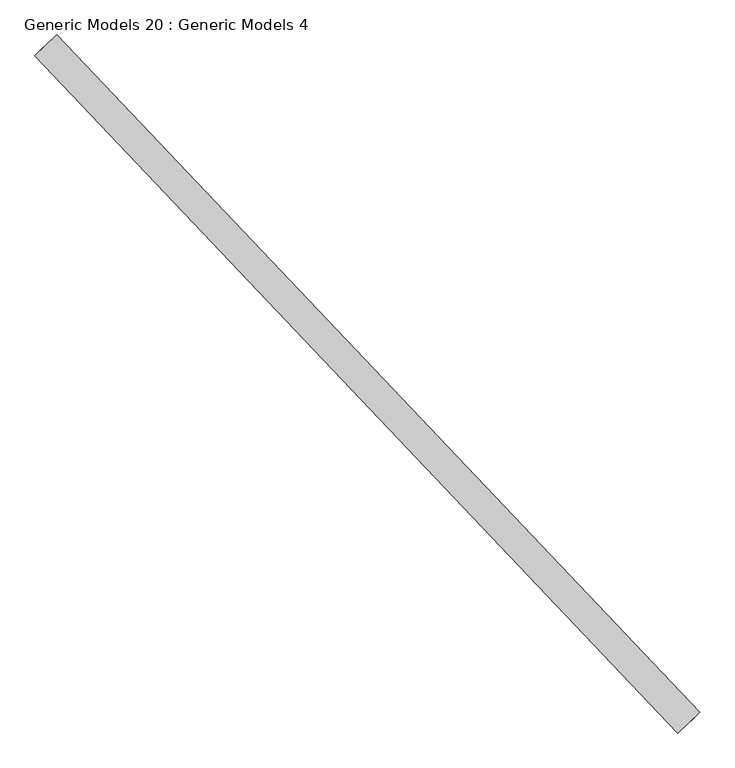
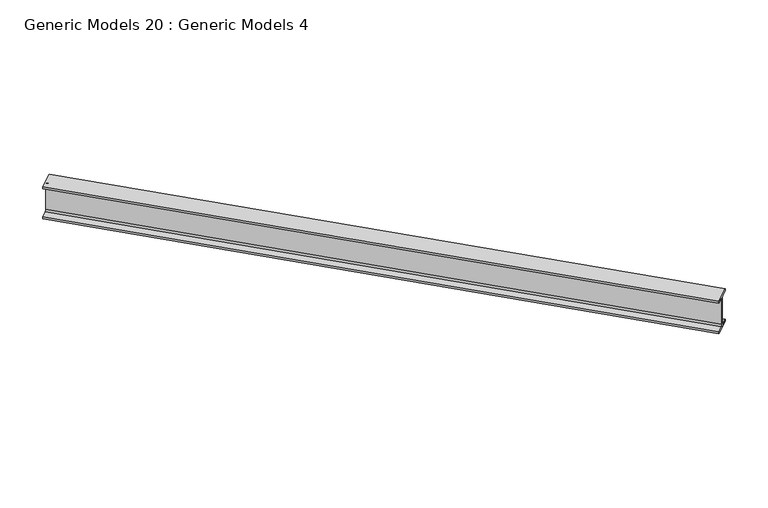
"""IFC4 building model written with IfcOpenShell, lengths in millimetres: proxy geometry, Generic Models 20 : Generic Models 4."""

from ifc_helpers import new_model, si_unit, frame, origin, place, context, project, spatial, polyline, circle_curve, source, transform, mapped, element, save
from ifc_brep_helpers import plane_surface, revolved_surface, advanced_brep


def generic_models_20_generic_models_4_68548fa3(model_context):
    return source(origin(), model_context, "Body", "AdvancedBrep", [
        advanced_brep(
        [(113624.5932426, 53881.0561758, 16634.46), (113543.4793416, 53804.0819579, 16634.46), (113527.5882026, 53789.0018301, 16656.3675), (113527.5882026, 53789.0018301, 16787.5924237), (113527.5882026, 53789.0018301, 17041.8125), (113543.4793416, 53804.0819579, 17063.72), (113624.5932426, 53881.0561758, 17063.72), (113624.5932426, 53881.0561758, 17094.2), (113418.2387415, 53685.2330661, 17094.2), (113418.2387415, 53685.2330661, 17063.72), (113499.3526425, 53762.207284, 17063.72), (113515.2437815, 53777.2874119, 17041.8125), (113515.2437815, 53777.2874119, 16656.3675), (113499.3526425, 53762.207284, 16634.46), (113418.2387415, 53685.2330661, 16634.46), (113418.2387415, 53685.2330661, 16603.98), (113624.5932426, 53881.0561758, 16603.98), (107544.4605287, 60288.1791888, 16634.46), (107544.4605287, 60288.1791888, 16603.98), (107338.1060276, 60092.3560791, 16603.98), (107338.1060276, 60092.3560791, 16634.46), (107419.2199286, 60169.330297, 16634.46), (107435.1110676, 60184.4104249, 16656.3675), (107435.1110676, 60184.4104249, 17041.8125), (107419.2199286, 60169.330297, 17063.72), (107338.1060276, 60092.3560791, 17063.72), (107338.1060276, 60092.3560791, 17094.2), (107544.4605287, 60288.1791888, 17094.2), (107544.4605287, 60288.1791888, 17063.72), (107463.3466277, 60211.2049709, 17063.72), (107447.4554887, 60196.124843, 17041.8125), (107447.4554887, 60196.124843, 16787.5924237), (107447.4554887, 60196.124843, 16656.3675), (107463.3466277, 60211.2049709, 16634.46)],
        [
            (0, 1),
            (1, 2, circle_curve(frame((113543.4793416, 53804.0819579, 16656.3675), z_axis=(-0.6883545756936593, 0.7253743710123776, 0.0), x_axis=(-0.7253743710123776, -0.6883545756936593, 0.0)), 21.9075)),
            (2, 3),
            (3, 4),
            (4, 5, circle_curve(frame((113543.4793416, 53804.0819579, 17041.8125), z_axis=(-0.6883545756936593, 0.7253743710123776, 0.0), x_axis=(-0.7253743710123776, -0.6883545756936593, 0.0)), 21.9075)),
            (5, 6),
            (6, 7),
            (7, 8),
            (8, 9),
            (9, 10),
            (10, 11, circle_curve(frame((113499.3526425, 53762.207284, 17041.8125), z_axis=(-0.6883545756936593, 0.7253743710123776, 0.0), x_axis=(-0.7253743710123776, -0.6883545756936593, 0.0)), 21.9075)),
            (11, 12),
            (12, 13, circle_curve(frame((113499.3526425, 53762.207284, 16656.3675), z_axis=(-0.6883545756936593, 0.7253743710123776, 0.0), x_axis=(-0.7253743710123776, -0.6883545756936593, 0.0)), 21.9075)),
            (13, 14),
            (14, 15),
            (15, 16),
            (16, 0),
            (17, 18),
            (18, 19),
            (19, 20),
            (20, 21),
            (21, 22, circle_curve(frame((107419.2199286, 60169.330297, 16656.3675), z_axis=(0.6883545756936593, -0.7253743710123776, 0.0), x_axis=(-0.7253743710123776, -0.6883545756936593, 0.0)), 21.9075)),
            (22, 23),
            (23, 24, circle_curve(frame((107419.2199286, 60169.330297, 17041.8125), z_axis=(0.6883545756936593, -0.7253743710123776, 0.0), x_axis=(-0.7253743710123776, -0.6883545756936593, 0.0)), 21.9075)),
            (24, 25),
            (25, 26),
            (26, 27),
            (27, 28),
            (28, 29),
            (29, 30, circle_curve(frame((107463.3466277, 60211.2049709, 17041.8125), z_axis=(0.6883545756936593, -0.7253743710123776, 0.0), x_axis=(-0.7253743710123776, -0.6883545756936593, 0.0)), 21.9075)),
            (30, 31),
            (31, 32),
            (32, 33, circle_curve(frame((107463.3466277, 60211.2049709, 16656.3675), z_axis=(0.6883545756936593, -0.7253743710123776, 0.0), x_axis=(-0.7253743710123776, -0.6883545756936593, 0.0)), 21.9075)),
            (33, 17),
            (11, 23),
            (22, 12),
            (15, 19),
            (18, 16),
            (7, 27),
            (26, 8),
            (0, 17),
            (33, 1),
            (32, 2),
            (30, 4),
            (29, 5),
            (28, 6),
            (25, 9),
            (24, 10),
            (21, 13),
            (20, 14),
        ],
        [
            plane_surface(frame((113521.415992, 53783.144621, 17094.2), z_axis=(0.6883545756936593, -0.7253743710123776, 0.0), x_axis=(0.0, 0.0, 1.0))),
            plane_surface(frame((107441.2832781, 60190.267634, 17094.2), z_axis=(-0.6883545756936593, 0.7253743710123776, 0.0), x_axis=(0.0, 0.0, 1.0))),
            plane_surface(frame((113515.2437815, 53777.2874119, 17041.8125), z_axis=(-0.7253743710123779, -0.688354575693659, 0.0), x_axis=(-0.688354575693659, 0.7253743710123779, 0.0))),
            plane_surface(frame((113418.2387415, 53685.2330661, 16603.98), z_axis=(0.0, 0.0, -1.0000000000000002), x_axis=(-0.688354575693659, 0.7253743710123779, 0.0))),
            plane_surface(frame((113624.5932426, 53881.0561758, 17094.2), z_axis=(0.0, 0.0, 1.0000000000000002), x_axis=(-0.688354575693659, 0.7253743710123779, 0.0))),
            plane_surface(frame((113624.5932426, 53881.0561758, 16634.46), z_axis=(0.0, 0.0, 1.0000000000000002), x_axis=(-0.688354575693659, 0.7253743710123779, 0.0))),
            revolved_surface(polyline([(107447.4554886571, 60196.12484302356, 16656.3675), (113527.58820256704, 53789.00183003299, 16656.3675)]), (113543.4793416, 53804.0819579, 16656.3675), (-0.6883545756936593, 0.7253743710123776, 0.0)),
            plane_surface(frame((113527.5882026, 53789.0018301, 16656.3675), z_axis=(0.7253743710123779, 0.688354575693659, 0.0), x_axis=(-0.688354575693659, 0.7253743710123779, 0.0))),
            revolved_surface(polyline([(107447.4554886571, 60196.12484302356, 17041.8125), (113527.58820256704, 53789.00183003299, 17041.8125)]), (113543.4793416, 53804.0819579, 17041.8125), (-0.6883545756936593, 0.7253743710123776, 0.0)),
            plane_surface(frame((113543.4793416, 53804.0819579, 17063.72), z_axis=(0.0, 0.0, -1.0000000000000002), x_axis=(-0.688354575693659, 0.7253743710123779, 0.0))),
            plane_surface(frame((113624.5932426, 53881.0561758, 17063.72), z_axis=(0.7253743710123779, 0.688354575693659, 0.0), x_axis=(-0.688354575693659, 0.7253743710123779, 0.0))),
            plane_surface(frame((113418.2387415, 53685.2330661, 17094.2), z_axis=(-0.7253743710123779, -0.688354575693659, 0.0), x_axis=(-0.688354575693659, 0.7253743710123779, 0.0))),
            plane_surface(frame((113418.2387415, 53685.2330661, 17063.72), z_axis=(0.0, 0.0, -1.0000000000000002), x_axis=(-0.688354575693659, 0.7253743710123779, 0.0))),
            revolved_surface(polyline([(107403.32878952501, 60154.25016915737, 17041.8125), (113483.46150346704, 53747.127156132985, 17041.8125)]), (113499.3526425, 53762.207284, 17041.8125), (-0.6883545756936593, 0.7253743710123776, 0.0)),
            revolved_surface(polyline([(107403.32878952501, 60154.25016915737, 16656.3675), (113483.46150346704, 53747.127156132985, 16656.3675)]), (113499.3526425, 53762.207284, 16656.3675), (-0.6883545756936593, 0.7253743710123776, 0.0)),
            plane_surface(frame((113499.3526425, 53762.207284, 16634.46), z_axis=(0.0, 0.0, 1.0000000000000002), x_axis=(-0.688354575693659, 0.7253743710123779, 0.0))),
            plane_surface(frame((113418.2387415, 53685.2330661, 16634.46), z_axis=(-0.7253743710123779, -0.688354575693659, 0.0), x_axis=(-0.688354575693659, 0.7253743710123779, 0.0))),
            plane_surface(frame((113624.5932426, 53881.0561758, 16603.98), z_axis=(0.7253743710123779, 0.688354575693659, 0.0), x_axis=(-0.688354575693659, 0.7253743710123779, 0.0))),
        ],
        [
            (0, [[1, 2, 3, 4, 5, 6, 7, 8, 9, 10, 11, 12, 13, 14, 15, 16, 17]]),
            (1, [[18, 19, 20, 21, 22, 23, 24, 25, 26, 27, 28, 29, 30, 31, 32, 33, 34]]),
            (2, [[-12, 35, -23, 36]]),
            (3, [[-16, 37, -19, 38]]),
            (4, [[-8, 39, -27, 40]]),
            (5, [[-1, 41, -34, 42]]),
            (6, [[-2, -42, -33, 43]]),
            (7, [[-4, -3, -43, -32, -31, 44]]),
            (8, [[-5, -44, -30, 45]]),
            (9, [[-6, -45, -29, 46]]),
            (10, [[-7, -46, -28, -39]]),
            (11, [[-9, -40, -26, 47]]),
            (12, [[-10, -47, -25, 48]]),
            (13, [[-11, -48, -24, -35]]),
            (14, [[-13, -36, -22, 49]]),
            (15, [[-14, -49, -21, 50]]),
            (16, [[-15, -50, -20, -37]]),
            (17, [[-17, -38, -18, -41]]),
        ],
    ),
    ])


if __name__ == "__main__":
    model = new_model("IFC4")
    model_context = context("Model", 3, world=origin())
    ifc_project = project(units=[si_unit("LENGTHUNIT", "METRE", prefix="MILLI")], contexts=[model_context])
    site = spatial("IfcSite", under=ifc_project)
    building = spatial("IfcBuilding", under=site)
    placement = place(None, origin())
    generic_models_20_generic_models_4_shape = generic_models_20_generic_models_4_68548fa3(model_context)
    element("IfcBuildingElementProxy", 1, Name="Generic Models 20 : Generic Models 4", ObjectType="Generic Models 20 : Generic Models 4", at=placement, inside=building, context=model_context, shape_type="MappedRepresentation", body=[
        mapped(generic_models_20_generic_models_4_shape, transform((0.0, 0.0, 0.0), x_axis=(1.0, 0.0, 0.0), y_axis=(0.0, 1.0, 0.0), z_axis=(0.0, 0.0, 1.0))),
    ])
    save(model, "model.ifc")
